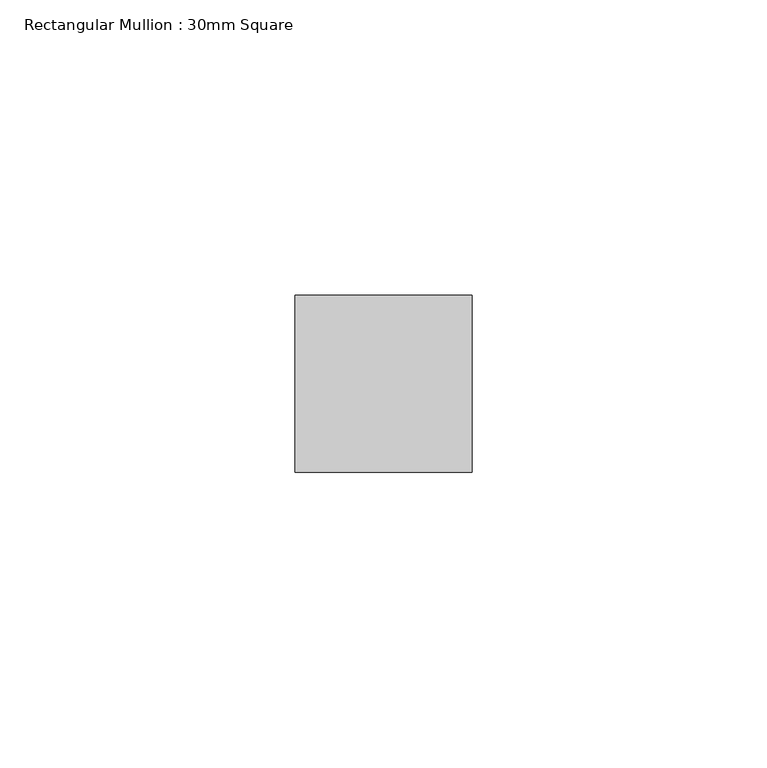
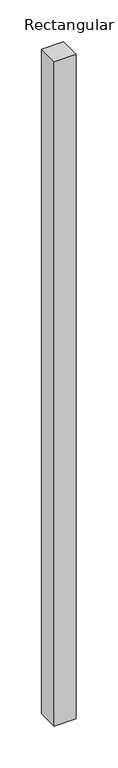
"""IFC4 building model written with IfcOpenShell, lengths in millimetres: member geometry, Rectangular Mullion : 30mm Square."""

import ifcopenshell
import ifcopenshell.guid

model = None  # the IFC model being written
_history = None  # IfcOwnerHistory: only IFC2X3 demands one
_inside = {}  # id of a spatial element -> (the spatial element, [elements in it])
_under = {}  # id of a project, library or spatial element -> (it, [spatial elements below it])
_declared = {}  # id of a project -> (the project, [libraries it declares])
_typed = {}  # id of a type object -> (the type object, [elements of that type])
_made_of = {}  # id of a material, layer set ... -> (it, [elements and type objects made of it])


def new_model(schema):
    """Start an empty IFC model of exactly this schema.

    Asked for "IFC4X3", IfcOpenShell would pick the latest addendum, in which some entities
    have other attributes; the version numbers below select the first issue.
    IFC2X3 requires an IfcOwnerHistory on every rooted entity: one is made here for all.
    """
    global model, _history
    if schema == "IFC4X3":
        model = ifcopenshell.file(schema_version=(4, 3, 0, 0))
    else:
        model = ifcopenshell.file(schema=schema)
    _inside.clear()
    _under.clear()
    _declared.clear()
    _typed.clear()
    _made_of.clear()
    _history = None
    if model.schema == "IFC2X3":
        org = make("IfcOrganization", Name="unknown")
        user = make(
            "IfcPersonAndOrganization",
            ThePerson=make("IfcPerson", FamilyName="unknown"),
            TheOrganization=org,
        )
        app = make(
            "IfcApplication",
            ApplicationDeveloper=org,
            Version="unknown",
            ApplicationFullName="unknown",
            ApplicationIdentifier="unknown",
        )
        _history = make(
            "IfcOwnerHistory",
            OwningUser=user,
            OwningApplication=app,
            ChangeAction="ADDED",
            CreationDate=0,
        )
    return model


def make(cls, **values):
    """One entity of the class cls with the attributes given. An attribute that is None is left unset."""
    return model.create_entity(
        cls, **{name: value for name, value in values.items() if value is not None}
    )


def rooted(cls, **values):
    """An entity with a GlobalId (a new one), such as an element, a storey or a relation."""
    return make(cls, GlobalId=ifcopenshell.guid.new(), OwnerHistory=_history, **values)


def si_unit(unit_type, name, prefix=None):
    """IfcSIUnit, for example si_unit("LENGTHUNIT", "METRE", prefix="MILLI")."""
    return make("IfcSIUnit", UnitType=unit_type, Prefix=prefix, Name=name)


def assignment(units):
    """IfcUnitAssignment: the units of a project."""
    return None if units is None else make("IfcUnitAssignment", Units=units)


def point(xyz):
    """IfcCartesianPoint."""
    return None if xyz is None else make("IfcCartesianPoint", Coordinates=xyz)


def direction(xyz):
    """IfcDirection."""
    return None if xyz is None else make("IfcDirection", DirectionRatios=xyz)


def frame(location, z_axis=None, x_axis=None):
    """IfcAxis2Placement3D, a coordinate frame: its origin and axes. An axis left out is left unset."""
    return make(
        "IfcAxis2Placement3D",
        Location=point(location),
        Axis=direction(z_axis),
        RefDirection=direction(x_axis),
    )


def origin():
    """The frame at (0, 0, 0) with its axes left unset."""
    return frame((0.0, 0.0, 0.0))


def place(relative_to, where):
    """IfcLocalPlacement: puts the frame where relative to a parent placement (None: the world)."""
    return make(
        "IfcLocalPlacement", PlacementRelTo=relative_to, RelativePlacement=where
    )


def context(
    kind, dimensions, precision=None, world=None, true_north=None, identifier=None
):
    """IfcGeometricRepresentationContext, for example the 3D "Model" context."""
    return make(
        "IfcGeometricRepresentationContext",
        ContextIdentifier=identifier,
        ContextType=kind,
        CoordinateSpaceDimension=dimensions,
        Precision=precision,
        WorldCoordinateSystem=world,
        TrueNorth=true_north,
    )


def project(units=None, contexts=None):
    """IfcProject with its units and contexts."""
    return rooted(
        "IfcProject",
        Name="project",
        RepresentationContexts=contexts,
        UnitsInContext=assignment(units),
    )


def spatial(cls, under=None, at=None, **own):
    """A site, building, storey or space (cls), placed at a placement, below another one or the project."""
    s = rooted(cls, ObjectPlacement=at, **own)
    if under is not None:
        _under.setdefault(under.id(), (under, []))[1].append(s)
    return s


def polyline(points):
    """IfcPolyline through the points."""
    return make("IfcPolyline", Points=[point(p) for p in points])


def outline(outer, holes=None, kind="AREA"):
    """IfcArbitraryClosedProfileDef: a profile drawn as a closed curve; with holes, ...WithVoids."""
    if holes is None:
        return make("IfcArbitraryClosedProfileDef", ProfileType=kind, OuterCurve=outer)
    return make(
        "IfcArbitraryProfileDefWithVoids",
        ProfileType=kind,
        OuterCurve=outer,
        InnerCurves=holes,
    )


def extrude(swept, where, along, depth):
    """IfcExtrudedAreaSolid: the profile swept, set in the frame where, extruded along a direction by depth."""
    return make(
        "IfcExtrudedAreaSolid",
        SweptArea=swept,
        Position=where,
        ExtrudedDirection=direction(along),
        Depth=depth,
    )


def shape(context_of_items, identifier, shape_type, items):
    """IfcShapeRepresentation: the items that make up one representation, for example the "Body"."""
    return make(
        "IfcShapeRepresentation",
        ContextOfItems=context_of_items,
        RepresentationIdentifier=identifier,
        RepresentationType=shape_type,
        Items=items,
    )


def source(mapping_origin, context_of_items, identifier, shape_type, items):
    """IfcRepresentationMap: a shape defined once, which mapped items show again and again."""
    return make(
        "IfcRepresentationMap",
        MappingOrigin=mapping_origin,
        MappedRepresentation=shape(context_of_items, identifier, shape_type, items),
    )


def transform(
    local_origin,
    x_axis=None,
    y_axis=None,
    z_axis=None,
    scale=None,
    scale2=None,
    scale3=None,
    uniform=True,
):
    """IfcCartesianTransformationOperator3D, or its non-uniform kind. x_axis, y_axis, z_axis: its Axis1, 2, 3."""
    if uniform:
        return make(
            "IfcCartesianTransformationOperator3D",
            Axis1=direction(x_axis),
            Axis2=direction(y_axis),
            LocalOrigin=point(local_origin),
            Scale=scale,
            Axis3=direction(z_axis),
        )
    return make(
        "IfcCartesianTransformationOperator3DnonUniform",
        Axis1=direction(x_axis),
        Axis2=direction(y_axis),
        LocalOrigin=point(local_origin),
        Scale=scale,
        Axis3=direction(z_axis),
        Scale2=scale2,
        Scale3=scale3,
    )


def mapped(mapping_source, mapping_target):
    """IfcMappedItem: shows the shape of a source again, moved by a transform."""
    return make(
        "IfcMappedItem", MappingSource=mapping_source, MappingTarget=mapping_target
    )


def made_of(thing, what):
    """Note that an element or type object is made of a material, layer set ...; save() writes the relation."""
    if what is not None:
        _made_of.setdefault(what.id(), (what, []))[1].append(thing)
    return thing


def element(
    cls,
    number,
    at=None,
    inside=None,
    cuts=None,
    type_object=None,
    material=None,
    context=None,
    identifier="Body",
    shape_type=None,
    held_by="IfcProductDefinitionShape",
    body=None,
    shapes=None,
    **own,
):
    """One element of the class cls, such as IfcWall. Its Tag is "e" and its number.

    at: its placement. inside: the storey or other place that contains it. cuts: it is an
    opening in that element (IfcRelVoidsElement). A single representation is given by context,
    identifier, shape_type and body (its items); several are given by shapes. held_by: the class
    of the entity that holds the representations. save() writes the other relations.
    """
    e = rooted(cls, Tag="e%d" % number, ObjectPlacement=at, **own)
    if body is not None:
        shapes = [shape(context, identifier, shape_type, body)]
    if shapes is not None:
        e.Representation = make(held_by, Representations=shapes)
    if inside is not None:
        _inside.setdefault(inside.id(), (inside, []))[1].append(e)
    if cuts is not None:
        rooted(
            "IfcRelVoidsElement", RelatingBuildingElement=cuts, RelatedOpeningElement=e
        )
    if type_object is not None:
        _typed.setdefault(type_object.id(), (type_object, []))[1].append(e)
    return made_of(e, material)


def aggregate(whole, parts):
    """IfcRelAggregates: a whole, such as a stair, and the parts it consists of."""
    return rooted("IfcRelAggregates", RelatingObject=whole, RelatedObjects=parts)


def save(model, path):
    """Write the relations noted so far, then the file.

    IfcRelAggregates (storeys below a building ...), IfcRelContainedInSpatialStructure (elements
    in a storey), IfcRelDefinesByType, IfcRelAssociatesMaterial and IfcRelDeclares: one each for
    every whole, place, type object, material and project.
    """
    for whole, parts in _under.values():
        aggregate(whole, parts)
    for where, things in _inside.values():
        rooted(
            "IfcRelContainedInSpatialStructure",
            RelatedElements=things,
            RelatingStructure=where,
        )
    for kind, things in _typed.values():
        rooted("IfcRelDefinesByType", RelatedObjects=things, RelatingType=kind)
    for what, things in _made_of.values():
        rooted("IfcRelAssociatesMaterial", RelatedObjects=things, RelatingMaterial=what)
    for by, libraries in _declared.values():
        rooted("IfcRelDeclares", RelatingContext=by, RelatedDefinitions=libraries)
    model.write(path)


def rectangular_mullion_30mm_square_aed851f2(model_context):
    return source(origin(), model_context, "Body", "SweptSolid", [
        extrude(outline(polyline([(15.0, 15.0), (15.0, -15.0), (-15.0, -15.0), (-15.0, 15.0), (15.0, 15.0)])), frame((0.0, 0.0, -969.0188131), z_axis=(0.0, 0.0, 1.0), x_axis=(1.0, 0.0, 0.0)), (0.0, 0.0, 1.0), 969.0188131),
    ])


if __name__ == "__main__":
    model = new_model("IFC4")
    model_context = context("Model", 3, world=origin())
    ifc_project = project(units=[si_unit("LENGTHUNIT", "METRE", prefix="MILLI")], contexts=[model_context])
    site = spatial("IfcSite", under=ifc_project)
    building = spatial("IfcBuilding", under=site)
    placement = place(None, origin())
    rectangular_mullion_30mm_square_shape = rectangular_mullion_30mm_square_aed851f2(model_context)
    element("IfcMember", 1, ObjectType="Rectangular Mullion : 30mm Square", at=placement, inside=building, context=model_context, shape_type="MappedRepresentation", body=[
        mapped(rectangular_mullion_30mm_square_shape, transform((0.0, 0.0, 0.0), x_axis=(1.0, 0.0, 0.0), y_axis=(0.0, 1.0, 0.0), z_axis=(0.0, 0.0, 1.0))),
    ])
    save(model, "model.ifc")
